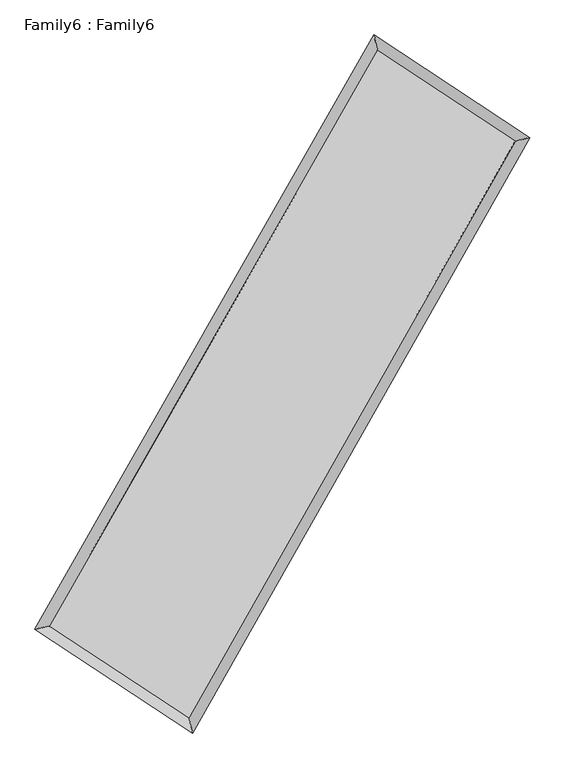
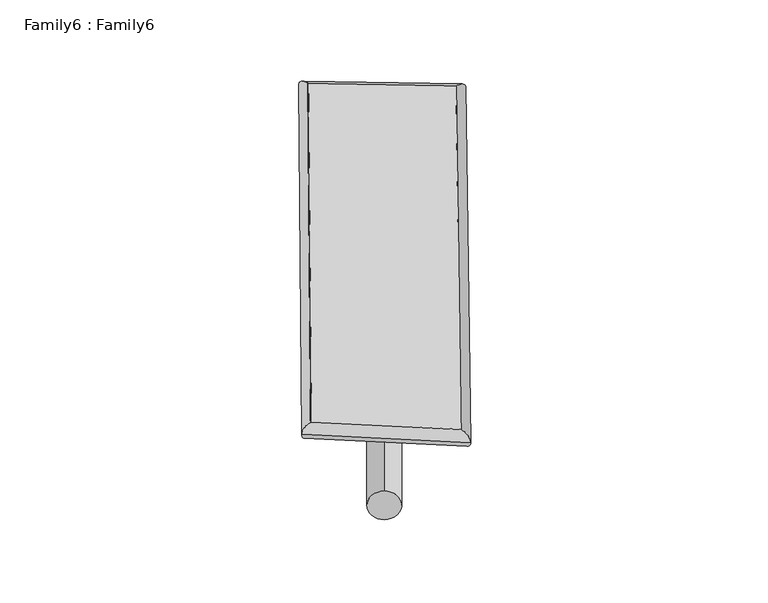
"""IFC4 building model written with IfcOpenShell, lengths in millimetres: plate geometry, Family6 : Family6."""

from ifc_helpers import new_model, si_unit, point, frame, origin, origin_2d, place, context, project, spatial, circle_curve, ellipse_curve, trimmed, segment, composite_curve, outline, extrude, source, transform, mapped, element, save
from ifc_brep_helpers import plane_surface, cylinder_surface, spline_surface, advanced_brep


def family6_family6_7bee7c27(model_context):
    return source(origin(), model_context, "Body", "SolidModel", [
        extrude(outline(composite_curve([segment(trimmed(circle_curve(origin_2d(), 76.2), [point((-75.4341514, -10.7763074))], [point((75.4341514, 10.7763074))], False, "CARTESIAN"), True, "CONTINUOUS"), segment(trimmed(circle_curve(origin_2d(), 76.2), [point((75.4341514, 10.7763074))], [point((-75.4341514, -10.7763074))], False, "CARTESIAN"), True, "CONTINUOUS")], self_intersect=False)), frame((9144.0, 9144.0, 0.0), z_axis=(0.6660597093611039, 0.6907224401511802, 0.28154391173918347), x_axis=(-0.6833065243935577, 0.7163855471832603, -0.1410104304941208)), (0.0, 0.0, 1.0), 5500.3619095),
        extrude(outline(composite_curve([segment(trimmed(circle_curve(origin_2d(), 76.2), [point((-53.8815367, 53.8815367))], [point((53.8815367, -53.8815367))], False, "CARTESIAN"), True, "CONTINUOUS"), segment(trimmed(circle_curve(origin_2d(), 76.2), [point((53.8815367, -53.8815367))], [point((-53.8815367, 53.8815367))], False, "CARTESIAN"), True, "CONTINUOUS")], self_intersect=False)), frame((9144.0, 9144.0, 0.0), z_axis=(-0.6681635751813586, -0.6887796792386016, 0.28131830773846606), x_axis=(0.6477612945489982, -0.35253069398002934, 0.6753720567851212)), (0.0, 0.0, 1.0), 5504.5252665),
        extrude(outline(composite_curve([segment(trimmed(circle_curve(origin_2d(), 76.2), [point((-53.8815367, -53.8815368))], [point((53.8815367, 53.8815368))], False, "CARTESIAN"), True, "CONTINUOUS"), segment(trimmed(circle_curve(origin_2d(), 76.2), [point((53.8815367, 53.8815368))], [point((-53.8815367, -53.8815368))], False, "CARTESIAN"), True, "CONTINUOUS")], self_intersect=False)), frame((9144.0, 9144.0, 0.0), z_axis=(0.2621162602289278, 0.9279057457619102, 0.26511505635409377), x_axis=(-0.8411329088443601, 0.35434131054185064, -0.4085800598444682)), (0.0, 0.0, 1.0), 5643.9668618),
        extrude(outline(composite_curve([segment(trimmed(circle_curve(origin_2d(), 76.2), [point((-75.4341514, 10.7763073))], [point((75.4341514, -10.7763073))], False, "CARTESIAN"), True, "CONTINUOUS"), segment(trimmed(circle_curve(origin_2d(), 76.2), [point((75.4341514, -10.7763073))], [point((-75.4341514, 10.7763073))], False, "CARTESIAN"), True, "CONTINUOUS")], self_intersect=False)), frame((9144.0, 9144.0, 0.0), z_axis=(-0.25963656827340864, -0.9286371909856581, 0.2649939998065508), x_axis=(0.8838684583157601, -0.11796208062894412, 0.4526162789032362)), (0.0, 0.0, 1.0), 5647.5665498),
        advanced_brep(
        [(5262.8628553, 5303.9480969, 1544.4725084), (5262.7814126, 5303.8354233, 1553.5125802), (5669.2905812, 5401.2416083, 1552.5749573), (10675.1280861, 14164.5647993, 1501.8855236), (10571.6228873, 14597.5737606, 1490.7156616), (5669.372024, 5401.3542818, 1543.5348855), (12604.6481643, 12894.3696906, 1548.0810716), (13010.4907454, 12992.0771092, 1549.1057444), (7625.3905626, 4116.1542158, 1497.5864177), (7729.9798413, 3682.7651109, 1495.5560807)],
        [
            (0, 1, ellipse_curve(frame((5466.0767183, 5352.5948526, 1548.5237329), z_axis=(-0.23298647628003363, 0.9724283410404498, 0.010021148234194276), x_axis=(-0.9722775841618893, -0.23313584464302783, 0.017999368847333747)), 209.1235929, 152.4)),
            (1, 2, ellipse_curve(frame((5466.0767183, 5352.5948526, 1548.5237329), z_axis=(-0.23298647628003363, 0.9724283410404498, 0.010021148234194276), x_axis=(-0.9722775841618893, -0.23313584464302783, 0.017999368847333747)), 209.1235929, 152.4)),
            (2, 3),
            (3, 4, ellipse_curve(frame((10623.3754867, 14381.0692799, 1496.3005926), z_axis=(-0.972477413994638, -0.23274030669768692, -0.010937500105958176), x_axis=(0.23253748499328566, -0.9724361309601427, 0.017154861592723076)), 222.68195, 152.4)),
            (4, 0),
            (2, 5, ellipse_curve(frame((5466.0767183, 5352.5948526, 1548.5237329), z_axis=(-0.23298647628003363, 0.9724283410404498, 0.010021148234194276), x_axis=(-0.9722775841618893, -0.23313584464302783, 0.017999368847333747)), 209.1235929, 152.4)),
            (5, 0, ellipse_curve(frame((5466.0767183, 5352.5948526, 1548.5237329), z_axis=(-0.23298647628003363, 0.9724283410404498, 0.010021148234194276), x_axis=(-0.9722775841618893, -0.23313584464302783, 0.017999368847333747)), 209.1235929, 152.4)),
            (4, 3, ellipse_curve(frame((10623.3754867, 14381.0692799, 1496.3005926), z_axis=(-0.972477413994638, -0.23274030669768692, -0.010937500105958176), x_axis=(0.23253748499328566, -0.9724361309601427, 0.017154861592723076)), 222.68195, 152.4)),
            (3, 6),
            (6, 7, ellipse_curve(frame((12807.5694548, 12943.2233999, 1548.593408), z_axis=(-0.2340273637976499, 0.9721758083250106, -0.010265997347290182), x_axis=(-0.9720204533868696, -0.23418310176326898, -0.01828969781376272)), 208.7428299, 152.4)),
            (7, 4),
            (7, 6, ellipse_curve(frame((12807.5694548, 12943.2233999, 1548.593408), z_axis=(-0.2340273637976499, 0.9721758083250106, -0.010265997347290182), x_axis=(-0.9720204533868696, -0.23418310176326898, -0.01828969781376272)), 208.7428299, 152.4)),
            (6, 8),
            (8, 9, ellipse_curve(frame((7677.6852019, 3899.4596633, 1496.5712492), z_axis=(0.9720263551376286, 0.2346280812164982, -0.010697122160711343), x_axis=(-0.23443261509690735, 0.9719859065647896, 0.016874430901498618)), 222.9369615, 152.4)),
            (9, 7),
            (9, 8, ellipse_curve(frame((7677.6852019, 3899.4596633, 1496.5712492), z_axis=(0.9720263551376286, 0.2346280812164982, -0.010697122160711343), x_axis=(-0.23443261509690735, 0.9719859065647896, 0.016874430901498618)), 222.9369615, 152.4)),
            (8, 5),
            (1, 9),
        ],
        [
            cylinder_surface(frame((5466.0767183, 5352.5948526, 1548.5237329), z_axis=(-0.4960000365211846, -0.8683079741540857, 0.005022528388322853), x_axis=(-0.8679715430688757, 0.4956268335784893, -0.03129604223532967)), 152.4),
            cylinder_surface(frame((10623.3754867, 14381.0692799, 1496.3005926), z_axis=(-0.8350962458264833, 0.5497404140858422, -0.019993432102595056), x_axis=(0.5500418874765532, 0.8349960322634492, -0.015347577187558109)), 152.4),
            cylinder_surface(frame((12807.5694548, 12943.2233999, 1548.593408), z_axis=(0.4933765302117253, 0.8698014521192328, 0.005003331641304093), x_axis=(0.8698148403468888, -0.49337653021172523, -0.0013202077695935609)), 152.4),
            cylinder_surface(frame((7677.6852019, 3899.4596633, 1496.5712492), z_axis=(0.8355804587137616, -0.5490173224680435, -0.01962846519013077), x_axis=(-0.5488325131226549, -0.8358101532386375, 0.014291965668733492)), 152.4),
        ],
        [
            (0, [[1, 2, 3, 4, 5]]),
            (0, [[6, 7, -5, 8, -3]]),
            (1, [[-4, 9, 10, 11]]),
            (1, [[-8, -11, 12, -9]]),
            (2, [[-10, 13, 14, 15]]),
            (2, [[-12, -15, 16, -13]]),
            (3, [[-14, 17, -6, -2, 18]]),
            (3, [[-16, -18, -1, -7, -17]]),
        ],
    ),
        extrude(outline(composite_curve([segment(trimmed(circle_curve(origin_2d(), 304.8), [point((0.0, -304.8))], [point((0.0, 304.8))], False, "CARTESIAN"), True, "CONTINUOUS"), segment(trimmed(circle_curve(origin_2d(), 304.8), [point((0.0, 304.8))], [point((0.0, -304.8))], False, "CARTESIAN"), True, "CONTINUOUS")], self_intersect=False)), frame((6541.7245041, 4634.4618637, -0.0125311), z_axis=(0.49981163353826524, 0.866134129897915, 2.406814466920231e-06), x_axis=(-0.8661341299010191, 0.4998116335382652, 6.446234764490029e-07)), (0.0, 0.0, 1.0), 10413.0249129),
        advanced_brep(
        [(5466.0767183, 5352.5948526, 1548.5237329), (7677.6852019, 3899.4596633, 1496.5712492), (7677.6931979, 3899.4569037, 1648.971249), (5466.0847142, 5352.592093, 1700.9237326), (12807.5694548, 12943.2233999, 1548.593408), (12807.5774508, 12943.2206403, 1700.9934078), (10623.3754867, 14381.0692799, 1496.3005926), (10623.3834826, 14381.0665203, 1648.7005924)],
        [
            (0, 1),
            (1, 2),
            (2, 3),
            (3, 0),
            (1, 4),
            (4, 5),
            (5, 2),
            (4, 6),
            (6, 7),
            (7, 5),
            (6, 0),
            (3, 7),
        ],
        [
            plane_surface(frame((6571.8809601, 4626.027258, 1522.547491), z_axis=(-0.5491228903514479, -0.8357416174302918, 1.3677411816636481e-05), x_axis=(0.8355804587137614, -0.5490173224680438, -0.019628465190130763))),
            plane_surface(frame((10242.6273284, 8421.3415316, 1522.5823286), z_axis=(0.8698124727525871, -0.4933824675301141, -5.4570376039145014e-05), x_axis=(0.4933765302117255, 0.8698014521192324, 0.005003331641304091))),
            plane_surface(frame((11715.4724708, 13662.1463399, 1522.4470003), z_axis=(0.5498505521058821, 0.8352630544687711, -1.3724255635642543e-05), x_axis=(-0.8350962458264828, 0.5497404140858424, -0.019993432102595056))),
            plane_surface(frame((8044.7261025, 9866.8320663, 1522.4121627), z_axis=(-0.8683187890768619, 0.4960065297569511, 5.4539522851919896e-05), x_axis=(-0.4960000365211849, -0.8683079741540854, 0.005022528388322845))),
            spline_surface(1, 1, [[(7677.6931979, 3899.4569037, 1648.971249), (5466.0847142, 5352.592093, 1700.9237326)], [(12807.5774508, 12943.2206403, 1700.9934078), (10623.3834826, 14381.0665203, 1648.7005924)]], [2, 2], [2, 2], [0.0, 1.0], [0.0, 1.0]),
            spline_surface(1, 1, [[(10623.3754867, 14381.0692799, 1496.3005926), (5466.0767183, 5352.5948526, 1548.5237329)], [(12807.5694548, 12943.2233999, 1548.593408), (7677.6852019, 3899.4596633, 1496.5712492)]], [2, 2], [2, 2], [0.0, 1.0], [0.0, 1.0]),
        ],
        [
            (0, [[1, 2, 3, 4]]),
            (1, [[5, 6, 7, -2]]),
            (2, [[8, 9, 10, -6]]),
            (3, [[11, -4, 12, -9]]),
            (4, [[-3, -7, -10, -12]]),
            (5, [[-11, -8, -5, -1]]),
        ],
    ),
    ])


if __name__ == "__main__":
    model = new_model("IFC4")
    model_context = context("Model", 3, world=origin())
    ifc_project = project(units=[si_unit("LENGTHUNIT", "METRE", prefix="MILLI")], contexts=[model_context])
    site = spatial("IfcSite", under=ifc_project)
    building = spatial("IfcBuilding", under=site)
    placement = place(None, origin())
    family6_family6_shape = family6_family6_7bee7c27(model_context)
    element("IfcPlate", 1, ObjectType="Family6 : Family6", at=placement, inside=building, context=model_context, shape_type="MappedRepresentation", body=[
        mapped(family6_family6_shape, transform((0.0, 0.0, 0.0), x_axis=(1.0, 0.0, 0.0), y_axis=(0.0, 1.0, 0.0), z_axis=(0.0, 0.0, 1.0))),
    ])
    save(model, "model.ifc")
